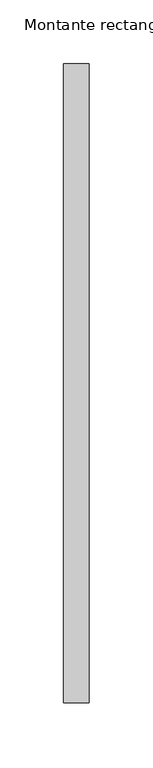
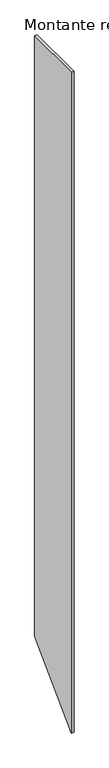
"""IFC4 building model written with IfcOpenShell, lengths in millimetres: member geometry, Montante rectangular."""

from ifc_helpers import new_model, si_unit, frame, origin, place, context, project, spatial, polyline, outline, extrude, source, transform, mapped, element, save


def montante_rectangular_95f5102e(model_context):
    return source(origin(), model_context, "Body", "SweptSolid", [
        extrude(outline(polyline([(-250.0, 0.0), (250.0, 0.0), (250.0, -4986.3262045), (-250.0, -5486.3262045), (-250.0, 0.0)])), frame((-20.0, 0.0, 0.0), z_axis=(1.0, 0.0, 0.0), x_axis=(0.0, 1.0, 0.0)), (0.0, 0.0, 1.0), 20.0),
    ])


if __name__ == "__main__":
    model = new_model("IFC4")
    model_context = context("Model", 3, world=origin())
    ifc_project = project(units=[si_unit("LENGTHUNIT", "METRE", prefix="MILLI")], contexts=[model_context])
    site = spatial("IfcSite", under=ifc_project)
    building = spatial("IfcBuilding", under=site)
    placement = place(None, origin())
    montante_rectangular_shape = montante_rectangular_95f5102e(model_context)
    element("IfcMember", 1, ObjectType="Montante rectangular", at=placement, inside=building, context=model_context, shape_type="MappedRepresentation", body=[
        mapped(montante_rectangular_shape, transform((0.0, 0.0, 0.0), x_axis=(1.0, 0.0, 0.0), y_axis=(0.0, 1.0, 0.0), z_axis=(0.0, 0.0, 1.0))),
    ])
    save(model, "model.ifc")
